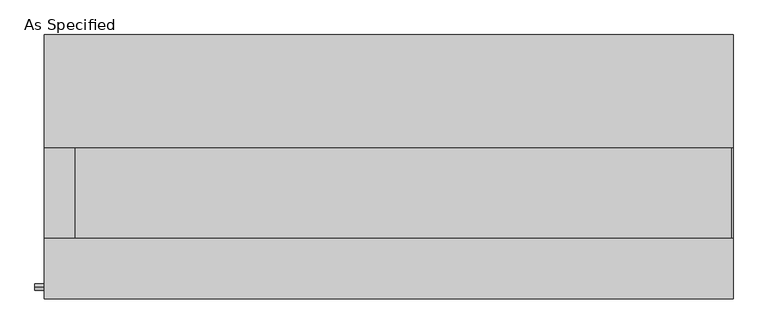
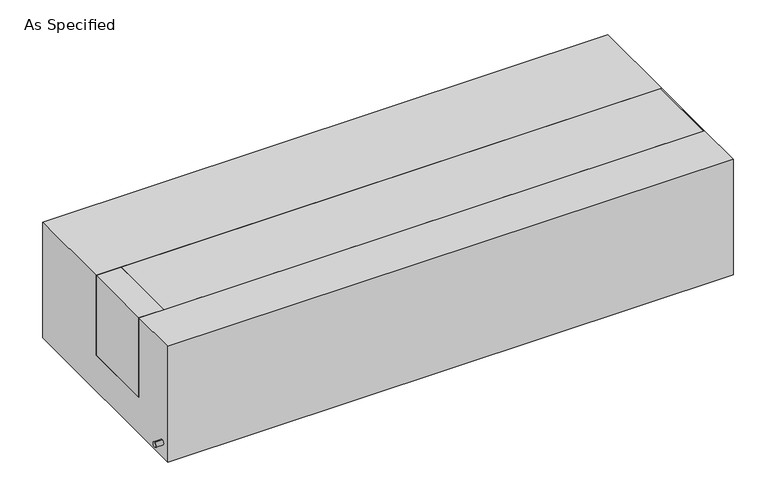
"""IFC4 building model written with IfcOpenShell, lengths in millimetres: proxy geometry, As Specified."""

from ifc_helpers import new_model, si_unit, point, frame, frame_2d, origin, place, context, project, spatial, polyline, circle_curve, trimmed, segment, composite_curve, outline, extrude, source, transform, mapped, element, save


def as_specified_908ce403(model_context):
    return source(origin(), model_context, "Body", "SweptSolid", [
        extrude(outline(composite_curve([segment(trimmed(circle_curve(frame_2d((-407.9875, -466.725)), 10.5), [point((-407.9875, -456.225))], [point((-407.9875, -477.225))], False, "CARTESIAN"), True, "CONTINUOUS"), segment(trimmed(circle_curve(frame_2d((-407.9875, -466.725)), 10.5), [point((-407.9875, -477.225))], [point((-407.9875, -456.225))], False, "CARTESIAN"), True, "CONTINUOUS")], self_intersect=False)), frame((-1198.6528384, 0.0, 0.0), z_axis=(1.0, 0.0, 0.0), x_axis=(0.0, 1.0, 0.0)), (0.0, 0.0, 1.0), 31.8403384),
        extrude(outline(polyline([(-1064.41875, 63.5), (-1064.41875, -241.3), (-1166.8125, -241.3), (-1166.8125, 63.5), (-1064.41875, 63.5)])), frame((0.0, 0.0, -373.0625), z_axis=(0.0, 0.0, 1.0), x_axis=(1.0, 0.0, 0.0)), (0.0, 0.0, 1.0), 347.6625),
        extrude(outline(polyline([(1162.84375, 63.5), (1166.8125, 63.5), (1166.8125, -241.3), (1162.84375, -241.3), (1162.84375, 63.5)])), frame((0.0, 0.0, -39.6875), z_axis=(0.0, 0.0, 1.0), x_axis=(1.0, 0.0, 0.0)), (0.0, 0.0, 1.0), 14.2875),
        extrude(outline(polyline([(1166.8125, 63.5), (1166.8125, -241.3), (-1064.41875, -241.3), (-1064.41875, 63.5), (1166.8125, 63.5)])), frame((0.0, 0.0, -373.0625), z_axis=(0.0, 0.0, 1.0), x_axis=(1.0, 0.0, 0.0)), (0.0, 0.0, 1.0), 347.6625),
        extrude(outline(polyline([(447.675, -25.4), (447.675, -530.225), (-447.675, -530.225), (-447.675, -25.4), (-241.3, -25.4), (-241.3, -373.0625), (63.5, -373.0625), (63.5, -25.4), (447.675, -25.4)])), frame((-1166.8125, 0.0, 0.0), z_axis=(1.0, 0.0, 0.0), x_axis=(0.0, 1.0, 0.0)), (0.0, 0.0, 1.0), 2333.625),
    ])


if __name__ == "__main__":
    model = new_model("IFC4")
    model_context = context("Model", 3, world=origin())
    ifc_project = project(units=[si_unit("LENGTHUNIT", "METRE", prefix="MILLI")], contexts=[model_context])
    site = spatial("IfcSite", under=ifc_project)
    building = spatial("IfcBuilding", under=site)
    placement = place(None, origin())
    as_specified_shape = as_specified_908ce403(model_context)
    element("IfcBuildingElementProxy", 1, Name="As Specified", ObjectType="As Specified", at=placement, inside=building, context=model_context, shape_type="MappedRepresentation", body=[
        mapped(as_specified_shape, transform((0.0, 0.0, 0.0), x_axis=(1.0, 0.0, 0.0), y_axis=(0.0, 1.0, 0.0), z_axis=(0.0, 0.0, 1.0))),
    ])
    save(model, "model.ifc")
